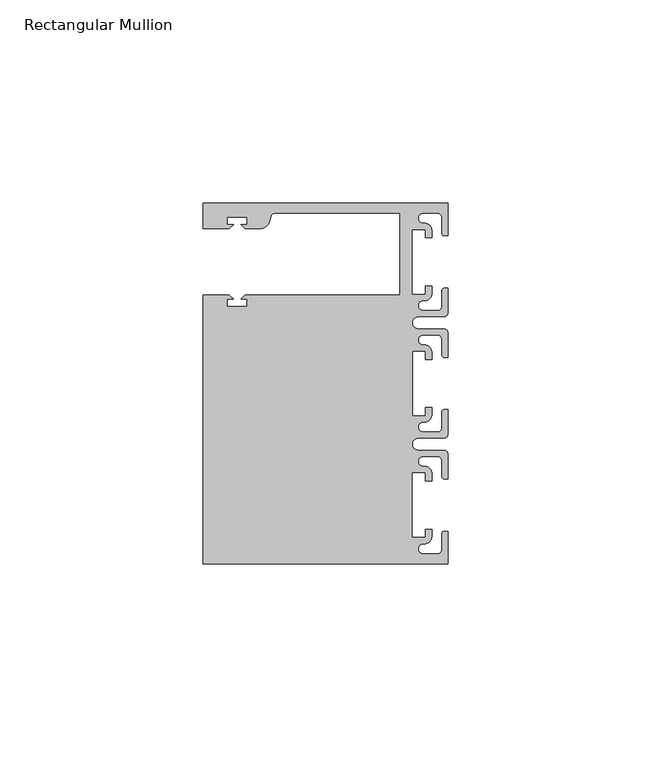
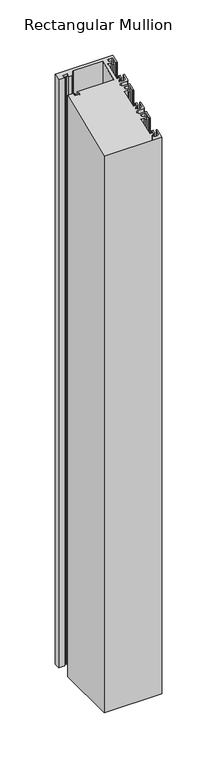
"""IFC4 building model written with IfcOpenShell, lengths in millimetres: member geometry, Rectangular Mullion."""

from ifc_helpers import new_model, si_unit, frame, origin, place, context, project, spatial, polyline, circle_curve, ellipse_curve, source, transform, mapped, element, save
from ifc_brep_helpers import plane_surface, cylinder_surface, revolved_surface, advanced_brep


def rectangular_mullion_ce0051c3(model_context):
    return source(origin(), model_context, "Body", "AdvancedBrep", [
        advanced_brep(
        [(0.0, 44.45, -635.0), (0.0, 36.4500318, -635.0), (-1.0, 36.4500318, -635.0), (-1.5, 36.9500318, -635.0), (-1.5, 40.95, -635.0), (-2.5, 41.95, -635.0), (-6.0499986, 41.95, -635.0), (-5.9027291, 39.4587029, -635.0), (-4.0000054, 37.7499972, -635.0), (-4.0000054, 35.9500318, -635.0), (-5.5, 35.9500318, -635.0), (-5.5, 37.9499972, -635.0), (-8.8585786, 37.9499972, -635.0), (-8.8585786, 21.9499956, -635.0), (-5.5, 21.9499956, -635.0), (-5.5, 23.9499611, -635.0), (-3.9999946, 23.9499611, -635.0), (-3.9999946, 22.0272972, -635.0), (-6.0499986, 20.4499956, -635.0), (-6.0499986, 17.9499929, -635.0), (-2.5, 17.9499929, -635.0), (-1.5, 18.9499929, -635.0), (-1.5, 22.9499611, -635.0), (-1.0, 23.4499611, -635.0), (0.0, 23.4499611, -635.0), (0.0, 17.4499929, -635.0), (-1.0, 16.4499929, -635.0), (-7.3, 16.4499929, -635.0), (-7.3046244, 13.45, -635.0), (-1.0, 13.45, -635.0), (0.0, 12.45, -635.0), (0.0, 6.4500354, -635.0), (-0.9999964, 6.4500354, -635.0), (-1.4999964, 6.9500354, -635.0), (-1.4999964, 10.95, -635.0), (-2.4999964, 11.95, -635.0), (-6.0499986, 11.95, -635.0), (-6.0499986, 9.4499972, -635.0), (-4.0000054, 7.7499972, -635.0), (-4.0000054, 5.9500318, -635.0), (-5.5, 5.9500318, -635.0), (-5.5, 7.9499972, -635.0), (-8.8, 7.9499972, -635.0), (-8.8, -7.9499972, -635.0), (-5.5, -7.9499972, -635.0), (-5.5, -5.9500318, -635.0), (-4.0000054, -5.9500318, -635.0), (-4.0000054, -7.7499972, -635.0), (-6.0499986, -9.4499972, -635.0), (-6.0499986, -11.95, -635.0), (-2.4999964, -11.95, -635.0), (-1.4999964, -10.95, -635.0), (-1.4999964, -6.9500354, -635.0), (-0.9999964, -6.4500354, -635.0), (0.0, -6.4500354, -635.0), (0.0, -12.45, -635.0), (-1.0, -13.45, -635.0), (-7.3046244, -13.45, -635.0), (-7.3, -16.4499929, -635.0), (-1.0, -16.4499929, -635.0), (0.0, -17.4499929, -635.0), (0.0, -23.4499611, -635.0), (-1.0, -23.4499611, -635.0), (-1.5, -22.9499611, -635.0), (-1.5, -18.9499929, -635.0), (-2.5, -17.9499929, -635.0), (-6.0499986, -17.9499929, -635.0), (-6.0499986, -20.4499956, -635.0), (-3.9999946, -22.0272972, -635.0), (-3.9999946, -23.9499611, -635.0), (-5.5, -23.9499611, -635.0), (-5.5, -21.9499956, -635.0), (-8.8585786, -21.9499956, -635.0), (-8.8585786, -37.9499972, -635.0), (-5.5, -37.9499972, -635.0), (-5.5, -35.9500318, -635.0), (-4.0000054, -35.9500318, -635.0), (-4.0000054, -37.7499972, -635.0), (-5.9027291, -39.4587029, -635.0), (-6.0499986, -41.95, -635.0), (-2.5, -41.95, -635.0), (-1.5, -40.95, -635.0), (-1.5, -36.9500318, -635.0), (-1.0, -36.4500318, -635.0), (0.0, -36.4500318, -635.0), (0.0, -44.45, -635.0), (-60.325, -44.45, -635.0), (-60.325, 21.749999, -635.0), (-53.8507562, 21.749999, -635.0), (-52.8507405, 20.7499834, -635.0), (-54.4250134, 20.7499834, -635.0), (-54.4250134, 18.949936, -635.0), (-49.4250186, 18.949936, -635.0), (-49.4250186, 20.7499834, -635.0), (-50.999256, 20.7499834, -635.0), (-49.9992434, 21.7499959, -635.0), (-11.8, 21.7499959, -635.0), (-11.8, 41.95, -635.0), (-42.6099329, 41.95, -635.0), (-43.5758588, 41.2088192, -635.0), (-43.8989707, 40.002949, -635.0), (-46.3137853, 38.1499966, -635.0), (-49.9992503, 38.1499966, -635.0), (-50.999256, 39.1500023, -635.0), (-49.4249831, 39.1500023, -635.0), (-49.4249831, 40.9498819, -635.0), (-54.4249778, 40.9498819, -635.0), (-54.4249778, 39.1500023, -635.0), (-52.8507405, 39.1500023, -635.0), (-53.8507531, 38.1499897, -635.0), (-60.3249977, 38.1499897, -635.0), (-60.3249977, 44.45, -635.0), (-60.3249977, 44.45, 18.4117928), (0.0, 44.45, 18.4117928), (-60.3249977, 38.1499897, 15.8022431), (-53.8507531, 38.1499897, 15.8022431), (-52.8507405, 39.1500023, 16.2164619), (-54.4249778, 39.1500023, 16.2164619), (-54.4249778, 40.9498819, 16.9619965), (-49.4249831, 40.9498819, 16.9619965), (-49.4249831, 39.1500023, 16.2164619), (-50.999256, 39.1500023, 16.2164619), (-49.9992503, 38.1499966, 15.802246), (-46.3137853, 38.1499966, 15.802246), (-43.8989707, 40.002949, 16.569764), (-43.5758588, 41.2088192, 17.0692518), (-42.6099329, 41.9500001, 17.376259), (-11.8, 41.95, 17.3762589), (-11.8, 21.7499959, 9.0091433), (-49.9992434, 21.7499959, 9.0091433), (-50.999256, 20.7499834, 8.5949245), (-49.4250186, 20.7499834, 8.5949245), (-49.4250186, 18.949936, 7.8493205), (-54.4250134, 18.949936, 7.8493205), (-54.4250134, 20.7499834, 8.5949245), (-52.8507405, 20.7499834, 8.5949245), (-53.8507562, 21.749999, 9.0091446), (-60.325, 21.749999, 9.0091446), (-60.325, -44.45, -18.4117928), (0.0, -44.45, -18.4117928), (0.0, -36.4500318, -15.0980975), (-1.0, -36.4500318, -15.0980975), (-1.5, -36.9500318, -15.3052043), (-1.5, -40.95, -16.9620454), (-2.5, -41.95, -17.3762589), (-6.0499986, -41.95, -17.3762589), (-5.9027291, -39.4587029, -16.3443299), (-4.0000054, -37.7499972, -15.6365608), (-4.0000054, -35.9500318, -14.8909907), (-5.5, -35.9500318, -14.8909907), (-5.5, -37.9499972, -15.7194036), (-8.8585786, -37.9499972, -15.7194036), (-8.8585786, -21.9499956, -9.0919859), (-5.5, -21.9499956, -9.0919859), (-5.5, -23.9499611, -9.9203987), (-3.9999946, -23.9499611, -9.9203987), (-3.9999946, -22.0272972, -9.1240053), (-6.0499986, -20.4499956, -8.4706655), (-6.0499986, -17.9499929, -7.4351305), (-2.5, -17.9499929, -7.4351305), (-1.5, -18.9499929, -7.8493441), (-1.5, -22.9499611, -9.5061851), (-1.0, -23.4499611, -9.7132919), (0.0, -23.4499611, -9.7132919), (0.0, -17.4499929, -7.2280237), (-1.0, -16.4499929, -6.8138101), (-7.3, -16.4499929, -6.8138101), (-7.3046244, -13.45, -5.5711724), (-1.0, -13.45, -5.5711724), (0.0, -12.45, -5.1569589), (0.0, -6.4500354, -2.6716921), (-0.9999964, -6.4500354, -2.6716921), (-1.4999964, -6.9500354, -2.8787989), (-1.4999964, -10.95, -4.5356385), (-2.4999964, -11.95, -4.9498521), (-6.0499986, -11.95, -4.9498521), (-6.0499986, -9.4499972, -3.914317), (-4.0000054, -7.7499972, -3.210154), (-4.0000054, -5.9500318, -2.4645839), (-5.5, -5.9500318, -2.4645839), (-5.5, -7.9499972, -3.2929967), (-8.8, -7.9499972, -3.2929967), (-8.8, 7.9499972, 3.2929967), (-5.5, 7.9499972, 3.2929967), (-5.5, 5.9500318, 2.4645839), (-4.0000054, 5.9500318, 2.4645839), (-4.0000054, 7.7499972, 3.210154), (-6.0499986, 9.4499972, 3.914317), (-6.0499986, 11.95, 4.9498521), (-2.4999964, 11.95, 4.9498521), (-1.4999964, 10.95, 4.5356385), (-1.4999964, 6.9500354, 2.8787989), (-0.9999964, 6.4500354, 2.6716921), (0.0, 6.4500354, 2.6716921), (0.0, 12.45, 5.1569589), (-1.0, 13.45, 5.5711724), (-7.3046244, 13.45, 5.5711724), (-7.3, 16.4499929, 6.8138101), (-1.0, 16.4499929, 6.8138101), (0.0, 17.4499929, 7.2280237), (0.0, 23.4499611, 9.7132919), (-1.0, 23.4499611, 9.7132919), (-1.5, 22.9499611, 9.5061851), (-1.5, 18.9499929, 7.8493441), (-2.5, 17.9499929, 7.4351305), (-6.0499986, 17.9499929, 7.4351305), (-6.0499986, 20.4499956, 8.4706655), (-3.9999946, 22.0272972, 9.1240053), (-3.9999946, 23.9499611, 9.9203987), (-5.5, 23.9499611, 9.9203987), (-5.5, 21.9499956, 9.0919859), (-8.8585786, 21.9499956, 9.0919859), (-8.8585786, 37.9499972, 15.7194036), (-5.5, 37.9499972, 15.7194036), (-5.5, 35.9500318, 14.8909907), (-4.0000054, 35.9500318, 14.8909907), (-4.0000054, 37.7499972, 15.6365608), (-5.9027291, 39.4587029, 16.3443299), (-6.0499986, 41.95, 17.3762589), (-2.5, 41.95, 17.3762589), (-1.5, 40.95, 16.9620454), (-1.5, 36.9500318, 15.3052043), (-1.0, 36.4500318, 15.0980975), (0.0, 36.4500318, 15.0980975)],
        [
            (0, 1),
            (1, 2),
            (2, 3, circle_curve(frame((-1.0, 36.9500318, -635.0), z_axis=(0.0, 0.0, -1.0), x_axis=(0.0, -1.0, 0.0)), 0.5)),
            (3, 4),
            (4, 5, circle_curve(frame((-2.5, 40.95, -635.0), z_axis=(0.0, 0.0, 1.0), x_axis=(0.0, -1.0, 0.0)), 1.0)),
            (5, 6),
            (6, 7, circle_curve(frame((-6.0499986, 40.6999986, -635.0), z_axis=(0.0, 0.0, 1.0), x_axis=(0.0, -1.0, 0.0)), 1.2500014)),
            (7, 8, circle_curve(frame((-5.7186029, 37.7499972, -635.0), z_axis=(0.0, 0.0, -1.0), x_axis=(1.0, 0.0, 0.0)), 1.7185975)),
            (8, 9),
            (9, 10),
            (10, 11),
            (11, 12),
            (12, 13),
            (13, 14),
            (14, 15),
            (15, 16),
            (16, 17),
            (17, 18, circle_curve(frame((-5.7543344, 22.1865598, -635.0), z_axis=(0.0, 0.0, -1.0), x_axis=(1.0, 0.0, 0.0)), 1.761554)),
            (18, 19, circle_curve(frame((-6.0499986, 19.1999942, -635.0), z_axis=(0.0, 0.0, 1.0), x_axis=(0.0, -1.0, 0.0)), 1.2500014)),
            (19, 20),
            (20, 21, circle_curve(frame((-2.5, 18.9499929, -635.0), z_axis=(0.0, 0.0, 1.0), x_axis=(0.0, -1.0, 0.0)), 1.0)),
            (21, 22),
            (22, 23, circle_curve(frame((-1.0, 22.9499611, -635.0), z_axis=(0.0, 0.0, -1.0), x_axis=(0.0, -1.0, 0.0)), 0.5)),
            (23, 24),
            (24, 25),
            (25, 26, circle_curve(frame((-1.0, 17.4499929, -635.0), z_axis=(0.0, 0.0, -1.0), x_axis=(0.0, -1.0, 0.0)), 1.0)),
            (26, 27),
            (27, 28, circle_curve(frame((-7.3, 14.9499929, -635.0), z_axis=(0.0, 0.0, 1.0), x_axis=(0.0, -1.0, 0.0)), 1.5)),
            (28, 29),
            (29, 30, circle_curve(frame((-1.0, 12.45, -635.0), z_axis=(0.0, 0.0, -1.0), x_axis=(0.0, -1.0, 0.0)), 1.0)),
            (30, 31),
            (31, 32),
            (32, 33, circle_curve(frame((-0.9999964, 6.9500354, -635.0), z_axis=(0.0, 0.0, -1.0), x_axis=(0.0, -1.0, 0.0)), 0.5)),
            (33, 34),
            (34, 35, circle_curve(frame((-2.4999964, 10.95, -635.0), z_axis=(0.0, 0.0, 1.0), x_axis=(0.0, -1.0, 0.0)), 1.0)),
            (35, 36),
            (36, 37, circle_curve(frame((-6.0499986, 10.6999986, -635.0), z_axis=(0.0, 0.0, 1.0), x_axis=(0.0, -1.0, 0.0)), 1.2500014)),
            (37, 38, circle_curve(frame((-5.7298824, 7.7499972, -635.0), z_axis=(0.0, 0.0, -1.0), x_axis=(1.0, 0.0, 0.0)), 1.729877)),
            (38, 39),
            (39, 40),
            (40, 41),
            (41, 42),
            (42, 43),
            (43, 44),
            (44, 45),
            (45, 46),
            (46, 47),
            (47, 48, circle_curve(frame((-5.7298824, -7.7499972, -635.0), z_axis=(0.0, 0.0, -1.0), x_axis=(1.0, 0.0, 0.0)), 1.729877)),
            (48, 49, circle_curve(frame((-6.0499986, -10.6999986, -635.0), z_axis=(0.0, 0.0, 1.0), x_axis=(0.0, 1.0, 0.0)), 1.2500014)),
            (49, 50),
            (50, 51, circle_curve(frame((-2.4999964, -10.95, -635.0), z_axis=(0.0, 0.0, 1.0), x_axis=(0.0, 1.0, 0.0)), 1.0)),
            (51, 52),
            (52, 53, circle_curve(frame((-0.9999964, -6.9500354, -635.0), z_axis=(0.0, 0.0, -1.0), x_axis=(0.0, 1.0, 0.0)), 0.5)),
            (53, 54),
            (54, 55),
            (55, 56, circle_curve(frame((-1.0, -12.45, -635.0), z_axis=(0.0, 0.0, -1.0), x_axis=(0.0, 1.0, 0.0)), 1.0)),
            (56, 57),
            (57, 58, circle_curve(frame((-7.3, -14.9499929, -635.0), z_axis=(0.0, 0.0, 1.0), x_axis=(0.0, 1.0, 0.0)), 1.5)),
            (58, 59),
            (59, 60, circle_curve(frame((-1.0, -17.4499929, -635.0), z_axis=(0.0, 0.0, -1.0), x_axis=(0.0, 1.0, 0.0)), 1.0)),
            (60, 61),
            (61, 62),
            (62, 63, circle_curve(frame((-1.0, -22.9499611, -635.0), z_axis=(0.0, 0.0, -1.0), x_axis=(0.0, 1.0, 0.0)), 0.5)),
            (63, 64),
            (64, 65, circle_curve(frame((-2.5, -18.9499929, -635.0), z_axis=(0.0, 0.0, 1.0), x_axis=(0.0, 1.0, 0.0)), 1.0)),
            (65, 66),
            (66, 67, circle_curve(frame((-6.0499986, -19.1999942, -635.0), z_axis=(0.0, 0.0, 1.0), x_axis=(0.0, 1.0, 0.0)), 1.2500014)),
            (67, 68, circle_curve(frame((-5.7543344, -22.1865598, -635.0), z_axis=(0.0, 0.0, -1.0), x_axis=(1.0, 0.0, 0.0)), 1.761554)),
            (68, 69),
            (69, 70),
            (70, 71),
            (71, 72),
            (72, 73),
            (73, 74),
            (74, 75),
            (75, 76),
            (76, 77),
            (77, 78, circle_curve(frame((-5.7186029, -37.7499972, -635.0), z_axis=(0.0, 0.0, -1.0), x_axis=(1.0, 0.0, 0.0)), 1.7185975)),
            (78, 79, circle_curve(frame((-6.0499986, -40.6999986, -635.0), z_axis=(0.0, 0.0, 1.0), x_axis=(0.0, 1.0, 0.0)), 1.2500014)),
            (79, 80),
            (80, 81, circle_curve(frame((-2.5, -40.95, -635.0), z_axis=(0.0, 0.0, 1.0), x_axis=(0.0, 1.0, 0.0)), 1.0)),
            (81, 82),
            (82, 83, circle_curve(frame((-1.0, -36.9500318, -635.0), z_axis=(0.0, 0.0, -1.0), x_axis=(0.0, 1.0, 0.0)), 0.5)),
            (83, 84),
            (84, 85),
            (85, 86),
            (86, 87),
            (87, 88),
            (88, 89),
            (89, 90),
            (90, 91),
            (91, 92),
            (92, 93),
            (93, 94),
            (94, 95),
            (95, 96),
            (96, 97),
            (97, 98),
            (98, 99, circle_curve(frame((-42.6099329, 40.9500001, -635.0), z_axis=(0.0, 0.0, 1.0), x_axis=(0.0, -1.0, 0.0)), 1.0)),
            (99, 100),
            (100, 101, circle_curve(frame((-46.3137853, 40.6499966, -635.0), z_axis=(0.0, 0.0, -1.0), x_axis=(0.0, -1.0, 0.0)), 2.5)),
            (101, 102),
            (102, 103),
            (103, 104),
            (104, 105),
            (105, 106),
            (106, 107),
            (107, 108),
            (108, 109),
            (109, 110),
            (110, 111),
            (111, 0),
            (112, 113),
            (113, 0),
            (111, 112),
            (114, 112),
            (110, 114),
            (115, 114),
            (109, 115),
            (116, 115),
            (108, 116),
            (117, 116),
            (107, 117),
            (118, 117),
            (106, 118),
            (119, 118),
            (105, 119),
            (120, 119),
            (104, 120),
            (121, 120),
            (103, 121),
            (122, 121),
            (102, 122),
            (123, 122),
            (101, 123),
            (124, 123, ellipse_curve(frame((-46.3137853, 40.6499966, 16.8377799), z_axis=(0.0, 0.3826834323650909, -0.9238795325112864), x_axis=(0.0, 0.9238795325112864, 0.3826834323650904)), 2.7059805, 2.5)),
            (100, 124),
            (125, 124),
            (99, 125),
            (126, 125, ellipse_curve(frame((-42.6099329, 40.9500001, 16.9620454), z_axis=(0.0, -0.3826834323650909, 0.9238795325112864), x_axis=(0.0, -0.9238795325112864, -0.3826834323650904)), 1.0823922, 1.0)),
            (98, 126),
            (127, 126),
            (97, 127),
            (128, 127),
            (96, 128),
            (129, 128),
            (95, 129),
            (130, 129),
            (94, 130),
            (131, 130),
            (93, 131),
            (132, 131),
            (92, 132),
            (133, 132),
            (91, 133),
            (134, 133),
            (90, 134),
            (135, 134),
            (89, 135),
            (136, 135),
            (88, 136),
            (137, 136),
            (87, 137),
            (138, 137),
            (86, 138),
            (139, 138),
            (85, 139),
            (140, 139),
            (84, 140),
            (141, 140),
            (83, 141),
            (142, 141, ellipse_curve(frame((-1.0, -36.9500318, -15.3052043), z_axis=(0.0, 0.3826834323650909, -0.9238795325112864), x_axis=(0.0, 0.9238795325112864, 0.3826834323650904)), 0.5411961, 0.5)),
            (82, 142),
            (143, 142),
            (81, 143),
            (144, 143, ellipse_curve(frame((-2.5, -40.95, -16.9620454), z_axis=(0.0, -0.3826834323650909, 0.9238795325112864), x_axis=(0.0, -0.9238795325112864, -0.3826834323650904)), 1.0823922, 1.0)),
            (80, 144),
            (145, 144),
            (79, 145),
            (146, 145, ellipse_curve(frame((-6.0499986, -40.6999986, -16.8584914), z_axis=(0.0, -0.3826834323650909, 0.9238795325112864), x_axis=(0.0, -0.9238795325112864, -0.3826834323650904)), 1.3529917, 1.2500014)),
            (78, 146),
            (147, 146, ellipse_curve(frame((-5.7186029, -37.7499972, -15.6365608), z_axis=(0.0, 0.3826834323650909, -0.9238795325112864), x_axis=(0.0, 0.9238795325112864, 0.3826834323650904)), 1.8601965, 1.7185975)),
            (77, 147),
            (148, 147),
            (76, 148),
            (149, 148),
            (75, 149),
            (150, 149),
            (74, 150),
            (151, 150),
            (73, 151),
            (152, 151),
            (72, 152),
            (153, 152),
            (71, 153),
            (154, 153),
            (70, 154),
            (155, 154),
            (69, 155),
            (156, 155),
            (68, 156),
            (157, 156, ellipse_curve(frame((-5.7543344, -22.1865598, -9.189974), z_axis=(0.0, 0.3826834323650909, -0.9238795325112864), x_axis=(0.0, 0.9238795325112864, 0.3826834323650904)), 1.9066923, 1.761554)),
            (67, 157),
            (158, 157, ellipse_curve(frame((-6.0499986, -19.1999942, -7.952898), z_axis=(0.0, -0.3826834323650909, 0.9238795325112864), x_axis=(0.0, -0.9238795325112864, -0.3826834323650904)), 1.3529917, 1.2500014)),
            (66, 158),
            (159, 158),
            (65, 159),
            (160, 159, ellipse_curve(frame((-2.5, -18.9499929, -7.8493441), z_axis=(0.0, -0.3826834323650909, 0.9238795325112864), x_axis=(0.0, -0.9238795325112864, -0.3826834323650904)), 1.0823922, 1.0)),
            (64, 160),
            (161, 160),
            (63, 161),
            (162, 161, ellipse_curve(frame((-1.0, -22.9499611, -9.5061851), z_axis=(0.0, 0.3826834323650909, -0.9238795325112864), x_axis=(0.0, 0.9238795325112864, 0.3826834323650904)), 0.5411961, 0.5)),
            (62, 162),
            (163, 162),
            (61, 163),
            (164, 163),
            (60, 164),
            (165, 164, ellipse_curve(frame((-1.0, -17.4499929, -7.2280237), z_axis=(0.0, 0.3826834323650909, -0.9238795325112864), x_axis=(0.0, 0.9238795325112864, 0.3826834323650904)), 1.0823922, 1.0)),
            (59, 165),
            (166, 165),
            (58, 166),
            (167, 166, ellipse_curve(frame((-7.3, -14.9499929, -6.1924898), z_axis=(0.0, -0.3826834323650909, 0.9238795325112864), x_axis=(0.0, -0.9238795325112864, -0.3826834323650904)), 1.6235883, 1.5)),
            (57, 167),
            (168, 167),
            (56, 168),
            (169, 168, ellipse_curve(frame((-1.0, -12.45, -5.1569589), z_axis=(0.0, 0.3826834323650909, -0.9238795325112864), x_axis=(0.0, 0.9238795325112864, 0.3826834323650904)), 1.0823922, 1.0)),
            (55, 169),
            (170, 169),
            (54, 170),
            (171, 170),
            (53, 171),
            (172, 171, ellipse_curve(frame((-0.9999964, -6.9500354, -2.8787989), z_axis=(0.0, 0.3826834323650909, -0.9238795325112864), x_axis=(0.0, 0.9238795325112864, 0.3826834323650904)), 0.5411961, 0.5)),
            (52, 172),
            (173, 172),
            (51, 173),
            (174, 173, ellipse_curve(frame((-2.4999964, -10.95, -4.5356385), z_axis=(0.0, -0.3826834323650909, 0.9238795325112864), x_axis=(0.0, -0.9238795325112864, -0.3826834323650904)), 1.0823922, 1.0)),
            (50, 174),
            (175, 174),
            (49, 175),
            (176, 175, ellipse_curve(frame((-6.0499986, -10.6999986, -4.4320845), z_axis=(0.0, -0.3826834323650909, 0.9238795325112864), x_axis=(0.0, -0.9238795325112864, -0.3826834323650904)), 1.3529917, 1.2500014)),
            (48, 176),
            (177, 176, ellipse_curve(frame((-5.7298824, -7.7499972, -3.210154), z_axis=(0.0, 0.3826834323650909, -0.9238795325112864), x_axis=(0.0, 0.9238795325112864, 0.3826834323650904)), 1.8724054, 1.729877)),
            (47, 177),
            (178, 177),
            (46, 178),
            (179, 178),
            (45, 179),
            (180, 179),
            (44, 180),
            (181, 180),
            (43, 181),
            (182, 181),
            (42, 182),
            (183, 182),
            (41, 183),
            (184, 183),
            (40, 184),
            (185, 184),
            (39, 185),
            (186, 185),
            (38, 186),
            (187, 186, ellipse_curve(frame((-5.7298824, 7.7499972, 3.210154), z_axis=(0.0, 0.3826834323650909, -0.9238795325112864), x_axis=(0.0, 0.9238795325112864, 0.3826834323650904)), 1.8724054, 1.729877)),
            (37, 187),
            (188, 187, ellipse_curve(frame((-6.0499986, 10.6999986, 4.4320845), z_axis=(0.0, -0.3826834323650909, 0.9238795325112864), x_axis=(0.0, -0.9238795325112864, -0.3826834323650904)), 1.3529917, 1.2500014)),
            (36, 188),
            (189, 188),
            (35, 189),
            (190, 189, ellipse_curve(frame((-2.4999964, 10.95, 4.5356385), z_axis=(0.0, -0.3826834323650909, 0.9238795325112864), x_axis=(0.0, -0.9238795325112864, -0.3826834323650904)), 1.0823922, 1.0)),
            (34, 190),
            (191, 190),
            (33, 191),
            (192, 191, ellipse_curve(frame((-0.9999964, 6.9500354, 2.8787989), z_axis=(0.0, 0.3826834323650909, -0.9238795325112864), x_axis=(0.0, 0.9238795325112864, 0.3826834323650904)), 0.5411961, 0.5)),
            (32, 192),
            (193, 192),
            (31, 193),
            (194, 193),
            (30, 194),
            (195, 194, ellipse_curve(frame((-1.0, 12.45, 5.1569589), z_axis=(0.0, 0.3826834323650909, -0.9238795325112864), x_axis=(0.0, 0.9238795325112864, 0.3826834323650904)), 1.0823922, 1.0)),
            (29, 195),
            (196, 195),
            (28, 196),
            (197, 196, ellipse_curve(frame((-7.3, 14.9499929, 6.1924898), z_axis=(0.0, -0.3826834323650909, 0.9238795325112864), x_axis=(0.0, -0.9238795325112864, -0.3826834323650904)), 1.6235883, 1.5)),
            (27, 197),
            (198, 197),
            (26, 198),
            (199, 198, ellipse_curve(frame((-1.0, 17.4499929, 7.2280237), z_axis=(0.0, 0.3826834323650909, -0.9238795325112864), x_axis=(0.0, 0.9238795325112864, 0.3826834323650904)), 1.0823922, 1.0)),
            (25, 199),
            (200, 199),
            (24, 200),
            (201, 200),
            (23, 201),
            (202, 201, ellipse_curve(frame((-1.0, 22.9499611, 9.5061851), z_axis=(0.0, 0.3826834323650909, -0.9238795325112864), x_axis=(0.0, 0.9238795325112864, 0.3826834323650904)), 0.5411961, 0.5)),
            (22, 202),
            (203, 202),
            (21, 203),
            (204, 203, ellipse_curve(frame((-2.5, 18.9499929, 7.8493441), z_axis=(0.0, -0.3826834323650909, 0.9238795325112864), x_axis=(0.0, -0.9238795325112864, -0.3826834323650904)), 1.0823922, 1.0)),
            (20, 204),
            (205, 204),
            (19, 205),
            (206, 205, ellipse_curve(frame((-6.0499986, 19.1999942, 7.952898), z_axis=(0.0, -0.3826834323650909, 0.9238795325112864), x_axis=(0.0, -0.9238795325112864, -0.3826834323650904)), 1.3529917, 1.2500014)),
            (18, 206),
            (207, 206, ellipse_curve(frame((-5.7543344, 22.1865598, 9.189974), z_axis=(0.0, 0.3826834323650909, -0.9238795325112864), x_axis=(0.0, 0.9238795325112864, 0.3826834323650904)), 1.9066923, 1.761554)),
            (17, 207),
            (208, 207),
            (16, 208),
            (209, 208),
            (15, 209),
            (210, 209),
            (14, 210),
            (211, 210),
            (13, 211),
            (212, 211),
            (12, 212),
            (213, 212),
            (11, 213),
            (214, 213),
            (10, 214),
            (215, 214),
            (9, 215),
            (216, 215),
            (8, 216),
            (217, 216, ellipse_curve(frame((-5.7186029, 37.7499972, 15.6365608), z_axis=(0.0, 0.3826834323650909, -0.9238795325112864), x_axis=(0.0, 0.9238795325112864, 0.3826834323650904)), 1.8601965, 1.7185975)),
            (7, 217),
            (218, 217, ellipse_curve(frame((-6.0499986, 40.6999986, 16.8584914), z_axis=(0.0, -0.3826834323650909, 0.9238795325112864), x_axis=(0.0, -0.9238795325112864, -0.3826834323650904)), 1.3529917, 1.2500014)),
            (6, 218),
            (219, 218),
            (5, 219),
            (220, 219, ellipse_curve(frame((-2.5, 40.95, 16.9620454), z_axis=(0.0, -0.3826834323650909, 0.9238795325112864), x_axis=(0.0, -0.9238795325112864, -0.3826834323650904)), 1.0823922, 1.0)),
            (4, 220),
            (221, 220),
            (3, 221),
            (222, 221, ellipse_curve(frame((-1.0, 36.9500318, 15.3052043), z_axis=(0.0, 0.3826834323650909, -0.9238795325112864), x_axis=(0.0, 0.9238795325112864, 0.3826834323650904)), 0.5411961, 0.5)),
            (2, 222),
            (223, 222),
            (1, 223),
            (113, 223),
        ],
        [
            plane_surface(frame((0.0, -74.9326906, -635.0), z_axis=(0.0, 0.0, -1.0), x_axis=(-1.0, 0.0, 0.0))),
            plane_surface(frame((0.0, 44.45, 0.0), z_axis=(0.0, 1.0, 0.0), x_axis=(0.0, 0.0, -1.0))),
            plane_surface(frame((-60.3249977, 44.45, 0.0), z_axis=(-1.0, 0.0, 0.0), x_axis=(0.0, 0.0, -1.0))),
            plane_surface(frame((-60.3249977, 38.1499897, 0.0), z_axis=(0.0, -1.0, 0.0), x_axis=(0.0, 0.0, -1.0))),
            plane_surface(frame((-53.8507531, 38.1499897, 0.0), z_axis=(0.7071067811865492, -0.7071067811865459, 0.0), x_axis=(0.0, 0.0, -1.0))),
            plane_surface(frame((-52.8507405, 39.1500023, 0.0), z_axis=(0.0, 1.0, 0.0), x_axis=(0.0, 0.0, -1.0))),
            plane_surface(frame((-54.4249778, 39.1500023, 0.0), z_axis=(1.0, 0.0, 0.0), x_axis=(0.0, 0.0, -1.0))),
            plane_surface(frame((-54.4249778, 40.9498819, 0.0), z_axis=(0.0, -1.0, 0.0), x_axis=(0.0, 0.0, -1.0))),
            plane_surface(frame((-49.4249831, 40.9498819, 0.0), z_axis=(-1.0, 0.0, 0.0), x_axis=(0.0, 0.0, -1.0))),
            plane_surface(frame((-49.4249831, 39.1500023, 0.0), z_axis=(0.0, 1.0, 0.0), x_axis=(0.0, 0.0, -1.0))),
            plane_surface(frame((-50.999256, 39.1500023, 0.0), z_axis=(-0.7071067811865469, -0.7071067811865481, 0.0), x_axis=(0.0, 0.0, -1.0))),
            plane_surface(frame((-49.9992503, 38.1499966, 0.0), z_axis=(0.0, -1.0, 0.0), x_axis=(0.0, 0.0, -1.0))),
            cylinder_surface(frame((-46.3137853, 40.6499966, 0.0), z_axis=(0.0, 0.0, 1.0), x_axis=(0.0, -1.0, 0.0)), 2.5),
            plane_surface(frame((-43.8989707, 40.002949, 0.0), z_axis=(0.965925826289163, -0.2588190451021675, 0.0), x_axis=(0.0, 0.0, -1.0))),
            revolved_surface(polyline([(-42.6099329, 39.9500001, -635.0), (-42.6099329, 39.9500001, 17.376259)]), (-42.6099329, 40.9500001, 0.0), (0.0, 0.0, -1.0)),
            plane_surface(frame((-42.6099329, 41.95, 0.0), z_axis=(0.0, -1.0, 0.0), x_axis=(0.0, 0.0, -1.0))),
            plane_surface(frame((-11.8, 41.95, 0.0), z_axis=(-1.0, 0.0, 0.0), x_axis=(0.0, 0.0, -1.0))),
            plane_surface(frame((-11.8, 21.7499959, 0.0), z_axis=(0.0, 1.0, 0.0), x_axis=(0.0, 0.0, -1.0))),
            plane_surface(frame((-49.9992434, 21.7499959, 0.0), z_axis=(-0.7071067811865492, 0.7071067811865459, 0.0), x_axis=(0.0, 0.0, -1.0))),
            plane_surface(frame((-50.999256, 20.7499834, 0.0), z_axis=(0.0, -1.0, 0.0), x_axis=(0.0, 0.0, -1.0))),
            plane_surface(frame((-49.4250186, 20.7499834, 0.0), z_axis=(-1.0, 0.0, 0.0), x_axis=(0.0, 0.0, -1.0))),
            plane_surface(frame((-49.4250186, 18.949936, 0.0), z_axis=(0.0, 1.0, 0.0), x_axis=(0.0, 0.0, -1.0))),
            plane_surface(frame((-54.4250134, 18.949936, 0.0), z_axis=(1.0, 0.0, 0.0), x_axis=(0.0, 0.0, -1.0))),
            plane_surface(frame((-54.4250134, 20.7499834, 0.0), z_axis=(0.0, -1.0, 0.0), x_axis=(0.0, 0.0, -1.0))),
            plane_surface(frame((-52.8507405, 20.7499834, 0.0), z_axis=(0.7071067811865472, 0.7071067811865479, 0.0), x_axis=(0.0, 0.0, -1.0))),
            plane_surface(frame((-53.8507562, 21.749999, 0.0), z_axis=(0.0, 1.0, 0.0), x_axis=(0.0, 0.0, -1.0))),
            plane_surface(frame((-60.325, 21.749999, 0.0), z_axis=(-1.0, 0.0, 0.0), x_axis=(0.0, 0.0, -1.0))),
            plane_surface(frame((-60.325, -44.45, 0.0), z_axis=(0.0, -1.0, 0.0), x_axis=(0.0, 0.0, -1.0))),
            plane_surface(frame((0.0, -44.45, 0.0), z_axis=(1.0, 0.0, 0.0), x_axis=(0.0, 0.0, -1.0))),
            plane_surface(frame((0.0, -36.4500318, 0.0), z_axis=(0.0, 1.0, 0.0), x_axis=(0.0, 0.0, -1.0))),
            cylinder_surface(frame((-1.0, -36.9500318, 0.0), z_axis=(0.0, 0.0, 1.0), x_axis=(0.0, 1.0, 0.0)), 0.5),
            plane_surface(frame((-1.5, -36.9500318, 0.0), z_axis=(-1.0, 0.0, 0.0), x_axis=(0.0, 0.0, -1.0))),
            revolved_surface(polyline([(-2.5, -39.95, -635.0), (-2.5, -39.95, -16.547831837738798)]), (-2.5, -40.95, 0.0), (0.0, 0.0, -1.0)),
            plane_surface(frame((-2.5, -41.95, 0.0), z_axis=(0.0, 1.0, 0.0), x_axis=(0.0, 0.0, -1.0))),
            revolved_surface(polyline([(-6.0499986, -39.4499972, -635.0), (-6.0499986, -39.4499972, -16.34072389228252)]), (-6.0499986, -40.6999986, 0.0), (0.0, 0.0, -1.0)),
            cylinder_surface(frame((-5.7186029, -37.7499972, 0.0), z_axis=(0.0, 0.0, 1.0), x_axis=(1.0, 0.0, 0.0)), 1.7185975),
            plane_surface(frame((-4.0000054, -37.7499972, 0.0), z_axis=(1.0, 0.0, 0.0), x_axis=(0.0, 0.0, -1.0))),
            plane_surface(frame((-4.0000054, -35.9500318, 0.0), z_axis=(0.0, 1.0, 0.0), x_axis=(0.0, 0.0, -1.0))),
            plane_surface(frame((-5.5, -35.9500318, 0.0), z_axis=(-1.0, 0.0, 0.0), x_axis=(0.0, 0.0, -1.0))),
            plane_surface(frame((-5.5, -37.9499972, 0.0), z_axis=(0.0, 1.0, 0.0), x_axis=(0.0, 0.0, -1.0))),
            plane_surface(frame((-8.8585786, -37.9499972, 0.0), z_axis=(1.0, 0.0, 0.0), x_axis=(0.0, 0.0, -1.0))),
            plane_surface(frame((-8.8585786, -21.9499956, 0.0), z_axis=(0.0, -1.0, 0.0), x_axis=(0.0, 0.0, -1.0))),
            plane_surface(frame((-5.5, -21.9499956, 0.0), z_axis=(-1.0, 0.0, 0.0), x_axis=(0.0, 0.0, -1.0))),
            plane_surface(frame((-5.5, -23.9499611, 0.0), z_axis=(0.0, -1.0, 0.0), x_axis=(0.0, 0.0, -1.0))),
            plane_surface(frame((-3.9999946, -23.9499611, 0.0), z_axis=(1.0, 0.0, 0.0), x_axis=(0.0, 0.0, -1.0))),
            cylinder_surface(frame((-5.7543344, -22.1865598, 0.0), z_axis=(0.0, 0.0, 1.0), x_axis=(1.0, 0.0, 0.0)), 1.761554),
            revolved_surface(polyline([(-6.0499986, -17.9499928, -635.0), (-6.0499986, -17.9499928, -7.435130492282521)]), (-6.0499986, -19.1999942, 0.0), (0.0, 0.0, -1.0)),
            plane_surface(frame((-6.0499986, -17.9499929, 0.0), z_axis=(0.0, -1.0, 0.0), x_axis=(0.0, 0.0, -1.0))),
            revolved_surface(polyline([(-2.5, -17.9499929, -635.0), (-2.5, -17.9499929, -7.4351305)]), (-2.5, -18.9499929, 0.0), (0.0, 0.0, -1.0)),
            plane_surface(frame((-1.5, -18.9499929, 0.0), z_axis=(-1.0, 0.0, 0.0), x_axis=(0.0, 0.0, -1.0))),
            cylinder_surface(frame((-1.0, -22.9499611, 0.0), z_axis=(0.0, 0.0, 1.0), x_axis=(0.0, 1.0, 0.0)), 0.5),
            plane_surface(frame((-1.0, -23.4499611, 0.0), z_axis=(0.0, -1.0, 0.0), x_axis=(0.0, 0.0, -1.0))),
            plane_surface(frame((0.0, -23.4499611, 0.0), z_axis=(1.0, 0.0, 0.0), x_axis=(0.0, 0.0, -1.0))),
            cylinder_surface(frame((-1.0, -17.4499929, 0.0), z_axis=(0.0, 0.0, 1.0), x_axis=(0.0, 1.0, 0.0)), 1.0),
            plane_surface(frame((-1.0, -16.4499929, 0.0), z_axis=(0.0, 1.0, 0.0), x_axis=(0.0, 0.0, -1.0))),
            revolved_surface(polyline([(-7.3, -13.4499929, -635.0), (-7.3, -13.4499929, -5.571169456608198)]), (-7.3, -14.9499929, 0.0), (0.0, 0.0, -1.0)),
            plane_surface(frame((-7.3046244, -13.45, 0.0), z_axis=(0.0, -1.0, 0.0), x_axis=(0.0, 0.0, -1.0))),
            cylinder_surface(frame((-1.0, -12.45, 0.0), z_axis=(0.0, 0.0, 1.0), x_axis=(0.0, 1.0, 0.0)), 1.0),
            plane_surface(frame((0.0, -12.45, 0.0), z_axis=(1.0, 0.0, 0.0), x_axis=(0.0, 0.0, -1.0))),
            plane_surface(frame((0.0, -6.4500354, 0.0), z_axis=(0.0, 1.0, 0.0), x_axis=(0.0, 0.0, -1.0))),
            cylinder_surface(frame((-0.9999964, -6.9500354, 0.0), z_axis=(0.0, 0.0, 1.0), x_axis=(0.0, 1.0, 0.0)), 0.5),
            plane_surface(frame((-1.4999964, -6.9500354, 0.0), z_axis=(-1.0, 0.0, 0.0), x_axis=(0.0, 0.0, -1.0))),
            revolved_surface(polyline([(-2.4999964, -9.95, -635.0), (-2.4999964, -9.95, -4.121424937738799)]), (-2.4999964, -10.95, 0.0), (0.0, 0.0, -1.0)),
            plane_surface(frame((-2.4999964, -11.95, 0.0), z_axis=(0.0, 1.0, 0.0), x_axis=(0.0, 0.0, -1.0))),
            revolved_surface(polyline([(-6.0499986, -9.4499972, -635.0), (-6.0499986, -9.4499972, -3.9143169922825214)]), (-6.0499986, -10.6999986, 0.0), (0.0, 0.0, -1.0)),
            cylinder_surface(frame((-5.7298824, -7.7499972, 0.0), z_axis=(0.0, 0.0, 1.0), x_axis=(1.0, 0.0, 0.0)), 1.729877),
            plane_surface(frame((-4.0000054, -7.7499972, 0.0), z_axis=(1.0, 0.0, 0.0), x_axis=(0.0, 0.0, -1.0))),
            plane_surface(frame((-4.0000054, -5.9500318, 0.0), z_axis=(0.0, 1.0, 0.0), x_axis=(0.0, 0.0, -1.0))),
            plane_surface(frame((-5.5, -5.9500318, 0.0), z_axis=(-1.0, 0.0, 0.0), x_axis=(0.0, 0.0, -1.0))),
            plane_surface(frame((-5.5, -7.9499972, 0.0), z_axis=(0.0, 1.0, 0.0), x_axis=(0.0, 0.0, -1.0))),
            plane_surface(frame((-8.8, -7.9499972, 0.0), z_axis=(1.0, 0.0, 0.0), x_axis=(0.0, 0.0, -1.0))),
            plane_surface(frame((-8.8, 7.9499972, 0.0), z_axis=(0.0, -1.0, 0.0), x_axis=(0.0, 0.0, -1.0))),
            plane_surface(frame((-5.5, 7.9499972, 0.0), z_axis=(-1.0, 0.0, 0.0), x_axis=(0.0, 0.0, -1.0))),
            plane_surface(frame((-5.5, 5.9500318, 0.0), z_axis=(0.0, -1.0, 0.0), x_axis=(0.0, 0.0, -1.0))),
            plane_surface(frame((-4.0000054, 5.9500318, 0.0), z_axis=(1.0, 0.0, 0.0), x_axis=(0.0, 0.0, -1.0))),
            cylinder_surface(frame((-5.7298824, 7.7499972, 0.0), z_axis=(0.0, 0.0, 1.0), x_axis=(1.0, 0.0, 0.0)), 1.729877),
            revolved_surface(polyline([(-6.0499986, 9.4499972, -635.0), (-6.0499986, 9.4499972, 4.9498521)]), (-6.0499986, 10.6999986, 0.0), (0.0, 0.0, -1.0)),
            plane_surface(frame((-6.0499986, 11.95, 0.0), z_axis=(0.0, -1.0, 0.0), x_axis=(0.0, 0.0, -1.0))),
            revolved_surface(polyline([(-2.4999964, 9.95, -635.0), (-2.4999964, 9.95, 4.9498521)]), (-2.4999964, 10.95, 0.0), (0.0, 0.0, -1.0)),
            plane_surface(frame((-1.4999964, 10.95, 0.0), z_axis=(-1.0, 0.0, 0.0), x_axis=(0.0, 0.0, -1.0))),
            cylinder_surface(frame((-0.9999964, 6.9500354, 0.0), z_axis=(0.0, 0.0, 1.0), x_axis=(0.0, -1.0, 0.0)), 0.5),
            plane_surface(frame((-0.9999964, 6.4500354, 0.0), z_axis=(0.0, -1.0, 0.0), x_axis=(0.0, 0.0, -1.0))),
            plane_surface(frame((0.0, 6.4500354, 0.0), z_axis=(1.0, 0.0, 0.0), x_axis=(0.0, 0.0, -1.0))),
            cylinder_surface(frame((-1.0, 12.45, 0.0), z_axis=(0.0, 0.0, 1.0), x_axis=(0.0, -1.0, 0.0)), 1.0),
            plane_surface(frame((-1.0, 13.45, 0.0), z_axis=(0.0, 1.0, 0.0), x_axis=(0.0, 0.0, -1.0))),
            revolved_surface(polyline([(-7.3, 13.4499929, -635.0), (-7.3, 13.4499929, 6.813810143391802)]), (-7.3, 14.9499929, 0.0), (0.0, 0.0, -1.0)),
            plane_surface(frame((-7.3, 16.4499929, 0.0), z_axis=(0.0, -1.0, 0.0), x_axis=(0.0, 0.0, -1.0))),
            cylinder_surface(frame((-1.0, 17.4499929, 0.0), z_axis=(0.0, 0.0, 1.0), x_axis=(0.0, -1.0, 0.0)), 1.0),
            plane_surface(frame((0.0, 17.4499929, 0.0), z_axis=(1.0, 0.0, 0.0), x_axis=(0.0, 0.0, -1.0))),
            plane_surface(frame((0.0, 23.4499611, 0.0), z_axis=(0.0, 1.0, 0.0), x_axis=(0.0, 0.0, -1.0))),
            cylinder_surface(frame((-1.0, 22.9499611, 0.0), z_axis=(0.0, 0.0, 1.0), x_axis=(0.0, -1.0, 0.0)), 0.5),
            plane_surface(frame((-1.5, 22.9499611, 0.0), z_axis=(-1.0, 0.0, 0.0), x_axis=(0.0, 0.0, -1.0))),
            revolved_surface(polyline([(-2.5, 17.9499929, -635.0), (-2.5, 17.9499929, 8.263557662261201)]), (-2.5, 18.9499929, 0.0), (0.0, 0.0, -1.0)),
            plane_surface(frame((-2.5, 17.9499929, 0.0), z_axis=(0.0, 1.0, 0.0), x_axis=(0.0, 0.0, -1.0))),
            revolved_surface(polyline([(-6.0499986, 17.9499928, -635.0), (-6.0499986, 17.9499928, 8.470665507717479)]), (-6.0499986, 19.1999942, 0.0), (0.0, 0.0, -1.0)),
            cylinder_surface(frame((-5.7543344, 22.1865598, 0.0), z_axis=(0.0, 0.0, 1.0), x_axis=(1.0, 0.0, 0.0)), 1.761554),
            plane_surface(frame((-3.9999946, 22.0272972, 0.0), z_axis=(1.0, 0.0, 0.0), x_axis=(0.0, 0.0, -1.0))),
            plane_surface(frame((-3.9999946, 23.9499611, 0.0), z_axis=(0.0, 1.0, 0.0), x_axis=(0.0, 0.0, -1.0))),
            plane_surface(frame((-5.5, 23.9499611, 0.0), z_axis=(-1.0, 0.0, 0.0), x_axis=(0.0, 0.0, -1.0))),
            plane_surface(frame((-5.5, 21.9499956, 0.0), z_axis=(0.0, 1.0, 0.0), x_axis=(0.0, 0.0, -1.0))),
            plane_surface(frame((-8.8585786, 21.9499956, 0.0), z_axis=(1.0, 0.0, 0.0), x_axis=(0.0, 0.0, -1.0))),
            plane_surface(frame((-8.8585786, 37.9499972, 0.0), z_axis=(0.0, -1.0, 0.0), x_axis=(0.0, 0.0, -1.0))),
            plane_surface(frame((-5.5, 37.9499972, 0.0), z_axis=(-1.0, 0.0, 0.0), x_axis=(0.0, 0.0, -1.0))),
            plane_surface(frame((-5.5, 35.9500318, 0.0), z_axis=(0.0, -1.0, 0.0), x_axis=(0.0, 0.0, -1.0))),
            plane_surface(frame((-4.0000054, 35.9500318, 0.0), z_axis=(1.0, 0.0, 0.0), x_axis=(0.0, 0.0, -1.0))),
            cylinder_surface(frame((-5.7186029, 37.7499972, 0.0), z_axis=(0.0, 0.0, 1.0), x_axis=(1.0, 0.0, 0.0)), 1.7185975),
            revolved_surface(polyline([(-6.0499986, 39.4499972, -635.0), (-6.0499986, 39.4499972, 17.376258907717478)]), (-6.0499986, 40.6999986, 0.0), (0.0, 0.0, -1.0)),
            plane_surface(frame((-6.0499986, 41.95, 0.0), z_axis=(0.0, -1.0, 0.0), x_axis=(0.0, 0.0, -1.0))),
            revolved_surface(polyline([(-2.5, 39.95, -635.0), (-2.5, 39.95, 17.376258962261204)]), (-2.5, 40.95, 0.0), (0.0, 0.0, -1.0)),
            plane_surface(frame((-1.5, 40.95, 0.0), z_axis=(-1.0, 0.0, 0.0), x_axis=(0.0, 0.0, -1.0))),
            cylinder_surface(frame((-1.0, 36.9500318, 0.0), z_axis=(0.0, 0.0, 1.0), x_axis=(0.0, -1.0, 0.0)), 0.5),
            plane_surface(frame((-1.0, 36.4500318, 0.0), z_axis=(0.0, -1.0, 0.0), x_axis=(0.0, 0.0, -1.0))),
            plane_surface(frame((0.0, 36.4500318, 0.0), z_axis=(1.0, 0.0, 0.0), x_axis=(0.0, 0.0, -1.0))),
            plane_surface(frame((304.8, 0.0, 0.0), z_axis=(0.0, -0.3826834323650909, 0.9238795325112864), x_axis=(0.0, -0.9238795325112864, -0.3826834323650909))),
        ],
        [
            (0, [[1, 2, 3, 4, 5, 6, 7, 8, 9, 10, 11, 12, 13, 14, 15, 16, 17, 18, 19, 20, 21, 22, 23, 24, 25, 26, 27, 28, 29, 30, 31, 32, 33, 34, 35, 36, 37, 38, 39, 40, 41, 42, 43, 44, 45, 46, 47, 48, 49, 50, 51, 52, 53, 54, 55, 56, 57, 58, 59, 60, 61, 62, 63, 64, 65, 66, 67, 68, 69, 70, 71, 72, 73, 74, 75, 76, 77, 78, 79, 80, 81, 82, 83, 84, 85, 86, 87, 88, 89, 90, 91, 92, 93, 94, 95, 96, 97, 98, 99, 100, 101, 102, 103, 104, 105, 106, 107, 108, 109, 110, 111, 112]]),
            (1, [[113, 114, -112, 115]]),
            (2, [[116, -115, -111, 117]]),
            (3, [[118, -117, -110, 119]]),
            (4, [[120, -119, -109, 121]]),
            (5, [[122, -121, -108, 123]]),
            (6, [[124, -123, -107, 125]]),
            (7, [[126, -125, -106, 127]]),
            (8, [[128, -127, -105, 129]]),
            (9, [[130, -129, -104, 131]]),
            (10, [[132, -131, -103, 133]]),
            (11, [[134, -133, -102, 135]]),
            (12, [[136, -135, -101, 137]]),
            (13, [[138, -137, -100, 139]]),
            (14, [[140, -139, -99, 141]]),
            (15, [[142, -141, -98, 143]]),
            (16, [[144, -143, -97, 145]]),
            (17, [[146, -145, -96, 147]]),
            (18, [[148, -147, -95, 149]]),
            (19, [[150, -149, -94, 151]]),
            (20, [[152, -151, -93, 153]]),
            (21, [[154, -153, -92, 155]]),
            (22, [[156, -155, -91, 157]]),
            (23, [[158, -157, -90, 159]]),
            (24, [[160, -159, -89, 161]]),
            (25, [[162, -161, -88, 163]]),
            (26, [[164, -163, -87, 165]]),
            (27, [[166, -165, -86, 167]]),
            (28, [[168, -167, -85, 169]]),
            (29, [[170, -169, -84, 171]]),
            (30, [[172, -171, -83, 173]]),
            (31, [[174, -173, -82, 175]]),
            (32, [[176, -175, -81, 177]]),
            (33, [[178, -177, -80, 179]]),
            (34, [[180, -179, -79, 181]]),
            (35, [[182, -181, -78, 183]]),
            (36, [[184, -183, -77, 185]]),
            (37, [[186, -185, -76, 187]]),
            (38, [[188, -187, -75, 189]]),
            (39, [[190, -189, -74, 191]]),
            (40, [[192, -191, -73, 193]]),
            (41, [[194, -193, -72, 195]]),
            (42, [[196, -195, -71, 197]]),
            (43, [[198, -197, -70, 199]]),
            (44, [[200, -199, -69, 201]]),
            (45, [[202, -201, -68, 203]]),
            (46, [[204, -203, -67, 205]]),
            (47, [[206, -205, -66, 207]]),
            (48, [[208, -207, -65, 209]]),
            (49, [[210, -209, -64, 211]]),
            (50, [[212, -211, -63, 213]]),
            (51, [[214, -213, -62, 215]]),
            (52, [[216, -215, -61, 217]]),
            (53, [[218, -217, -60, 219]]),
            (54, [[220, -219, -59, 221]]),
            (55, [[222, -221, -58, 223]]),
            (56, [[224, -223, -57, 225]]),
            (57, [[226, -225, -56, 227]]),
            (58, [[228, -227, -55, 229]]),
            (59, [[230, -229, -54, 231]]),
            (60, [[232, -231, -53, 233]]),
            (61, [[234, -233, -52, 235]]),
            (62, [[236, -235, -51, 237]]),
            (63, [[238, -237, -50, 239]]),
            (64, [[240, -239, -49, 241]]),
            (65, [[242, -241, -48, 243]]),
            (66, [[244, -243, -47, 245]]),
            (67, [[246, -245, -46, 247]]),
            (68, [[248, -247, -45, 249]]),
            (69, [[250, -249, -44, 251]]),
            (70, [[252, -251, -43, 253]]),
            (71, [[254, -253, -42, 255]]),
            (72, [[256, -255, -41, 257]]),
            (73, [[258, -257, -40, 259]]),
            (74, [[260, -259, -39, 261]]),
            (75, [[262, -261, -38, 263]]),
            (76, [[264, -263, -37, 265]]),
            (77, [[266, -265, -36, 267]]),
            (78, [[268, -267, -35, 269]]),
            (79, [[270, -269, -34, 271]]),
            (80, [[272, -271, -33, 273]]),
            (81, [[274, -273, -32, 275]]),
            (82, [[276, -275, -31, 277]]),
            (83, [[278, -277, -30, 279]]),
            (84, [[280, -279, -29, 281]]),
            (85, [[282, -281, -28, 283]]),
            (86, [[284, -283, -27, 285]]),
            (87, [[286, -285, -26, 287]]),
            (88, [[288, -287, -25, 289]]),
            (89, [[290, -289, -24, 291]]),
            (90, [[292, -291, -23, 293]]),
            (91, [[294, -293, -22, 295]]),
            (92, [[296, -295, -21, 297]]),
            (93, [[298, -297, -20, 299]]),
            (94, [[300, -299, -19, 301]]),
            (95, [[302, -301, -18, 303]]),
            (96, [[304, -303, -17, 305]]),
            (97, [[306, -305, -16, 307]]),
            (98, [[308, -307, -15, 309]]),
            (99, [[310, -309, -14, 311]]),
            (100, [[312, -311, -13, 313]]),
            (101, [[314, -313, -12, 315]]),
            (102, [[316, -315, -11, 317]]),
            (103, [[318, -317, -10, 319]]),
            (104, [[320, -319, -9, 321]]),
            (105, [[322, -321, -8, 323]]),
            (106, [[324, -323, -7, 325]]),
            (107, [[326, -325, -6, 327]]),
            (108, [[328, -327, -5, 329]]),
            (109, [[330, -329, -4, 331]]),
            (110, [[332, -331, -3, 333]]),
            (111, [[334, -333, -2, 335]]),
            (112, [[336, -335, -1, -114]]),
            (113, [[-113, -116, -118, -120, -122, -124, -126, -128, -130, -132, -134, -136, -138, -140, -142, -144, -146, -148, -150, -152, -154, -156, -158, -160, -162, -164, -166, -168, -170, -172, -174, -176, -178, -180, -182, -184, -186, -188, -190, -192, -194, -196, -198, -200, -202, -204, -206, -208, -210, -212, -214, -216, -218, -220, -222, -224, -226, -228, -230, -232, -234, -236, -238, -240, -242, -244, -246, -248, -250, -252, -254, -256, -258, -260, -262, -264, -266, -268, -270, -272, -274, -276, -278, -280, -282, -284, -286, -288, -290, -292, -294, -296, -298, -300, -302, -304, -306, -308, -310, -312, -314, -316, -318, -320, -322, -324, -326, -328, -330, -332, -334, -336]]),
        ],
    ),
    ])


if __name__ == "__main__":
    model = new_model("IFC4")
    model_context = context("Model", 3, world=origin())
    ifc_project = project(units=[si_unit("LENGTHUNIT", "METRE", prefix="MILLI")], contexts=[model_context])
    site = spatial("IfcSite", under=ifc_project)
    building = spatial("IfcBuilding", under=site)
    placement = place(None, origin())
    rectangular_mullion_shape = rectangular_mullion_ce0051c3(model_context)
    element("IfcMember", 1, ObjectType="Rectangular Mullion", at=placement, inside=building, context=model_context, shape_type="MappedRepresentation", body=[
        mapped(rectangular_mullion_shape, transform((0.0, 0.0, 0.0), x_axis=(1.0, 0.0, 0.0), y_axis=(0.0, 1.0, 0.0), z_axis=(0.0, 0.0, 1.0))),
    ])
    save(model, "model.ifc")
